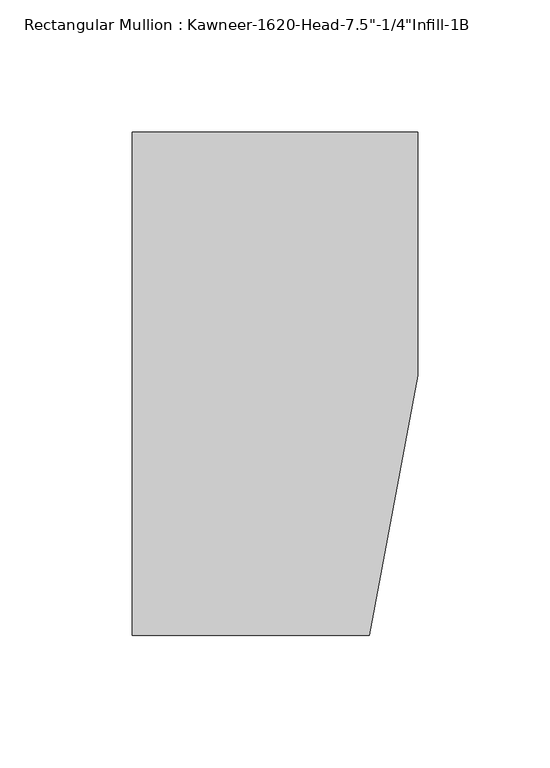
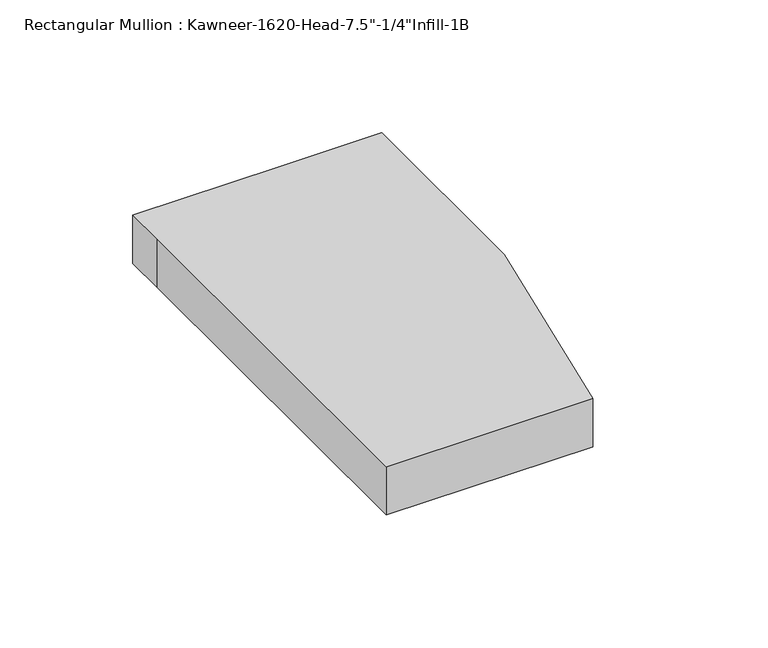
"""IFC4 building model written with IfcOpenShell, lengths in millimetres: member geometry."""

from ifc_helpers import new_model, si_unit, frame, origin, place, context, project, spatial, polyline, outline, extrude, source, transform, mapped, element, save


def member_c2f39618(model_context):
    return source(origin(), model_context, "Body", "SweptSolid", [
        extrude(outline(polyline([(-107.95, 10.3845466), (-107.95, 28.575), (-44.1519366, 28.575), (0.0, 28.575), (0.0, -63.5), (-18.3538271, -161.925), (-107.95, -161.925), (-107.95, 10.3845466)])), frame((0.0, 0.0, -22.225), z_axis=(0.0, 0.0, 1.0), x_axis=(1.0, 0.0, 0.0)), (0.0, 0.0, 1.0), 22.225),
    ])


if __name__ == "__main__":
    model = new_model("IFC4")
    model_context = context("Model", 3, world=origin())
    ifc_project = project(units=[si_unit("LENGTHUNIT", "METRE", prefix="MILLI")], contexts=[model_context])
    site = spatial("IfcSite", under=ifc_project)
    building = spatial("IfcBuilding", under=site)
    placement = place(None, origin())
    member_shape = member_c2f39618(model_context)
    element("IfcMember", 1, ObjectType="Rectangular Mullion : Kawneer-1620-Head-7.5\"-1/4\"Infill-1B", at=placement, inside=building, context=model_context, shape_type="MappedRepresentation", body=[
        mapped(member_shape, transform((0.0, 0.0, 0.0), x_axis=(1.0, 0.0, 0.0), y_axis=(0.0, 1.0, 0.0), z_axis=(0.0, 0.0, 1.0))),
    ])
    save(model, "model.ifc")
